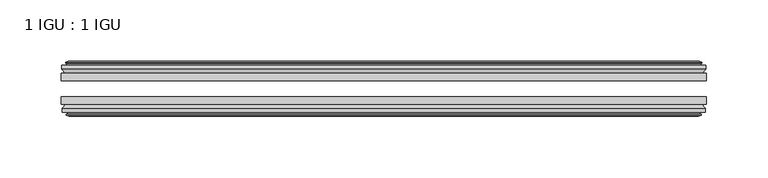
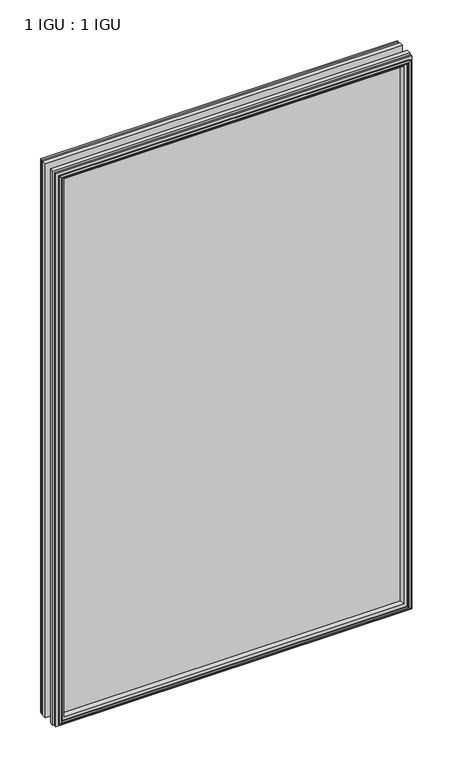
"""IFC4 building model written with IfcOpenShell, lengths in millimetres: plate geometry, 1 IGU : 1 IGU."""

from ifc_helpers import new_model, si_unit, frame, origin, place, context, project, spatial, polyline, outline, extrude, faceted_brep, source, transform, mapped, element, save


def plate_1_igu_1_igu_b5e0db50(model_context):
    return source(origin(), model_context, "Body", "SolidModel", [
        extrude(outline(polyline([(263.525, -25.8960937), (263.525, -32.2460938), (-263.525, -32.2460938), (-263.525, -25.8960937), (263.525, -25.8960937)])), frame((0.0, 0.0, -12.7), z_axis=(0.0, 0.0, 1.0), x_axis=(1.0, 0.0, 0.0)), (0.0, 0.0, 1.0), 863.6),
        extrude(outline(polyline([(-263.525, -51.2960938), (-263.525, -45.2686737), (263.525, -45.2686737), (263.525, -51.2960938), (-263.525, -51.2960938)])), frame((0.0, 0.0, -12.7), z_axis=(0.0, 0.0, 1.0), x_axis=(1.0, 0.0, 0.0)), (0.0, 0.0, 1.0), 863.6),
        faceted_brep([(-257.937, -60.0262907, 845.312), (-258.318, -57.6460937, 845.693), (-258.318, -57.6460937, -7.493), (-257.937, -60.0262907, -7.112), (-259.352529, -59.5663575, 846.727529), (-259.352529, -59.5663575, -8.5275291), (-259.352529, -60.3675717, 846.727529), (-259.352529, -60.3675717, -8.5275291), (-257.175, -61.0750937, 844.55), (-257.175, -61.0750937, -6.35), (-254.9974709, -60.3675717, 842.3724709), (-254.9974709, -60.3675717, -4.1724709), (-254.9974709, -59.5663575, 842.3724709), (-254.9974709, -59.5663575, -4.1724709), (-256.413, -60.0262907, 843.788), (-256.413, -60.0262907, -5.588), (-256.032, -57.6460937, 843.407), (-256.032, -57.6460937, -5.207), (-249.1072819, -51.2960937, 836.4822819), (-250.825, -57.6460937, 838.2), (-250.825, -57.6460937, 0.0), (-249.1072819, -51.2960937, 1.7177181), (-262.763, -54.6996937, 850.138), (-259.9286578, -51.2960937, 847.3036578), (-259.9286578, -51.2960937, -9.1036578), (-262.763, -54.6996937, -11.938), (-262.763, -57.6460937, 850.138), (-262.763, -57.6460937, -11.938), (258.318, -57.6460938, -7.493), (257.937, -60.0262907, -7.112), (259.352529, -59.5663575, -8.5275291), (259.352529, -60.3675717, -8.5275291), (257.175, -61.0750937, -6.35), (254.9974709, -60.3675717, -4.1724709), (254.9974709, -59.5663575, -4.1724709), (256.413, -60.0262907, -5.588), (256.032, -57.6460937, -5.207), (250.825, -57.6460937, 0.0), (249.1072819, -51.2960937, 1.7177181), (259.9286578, -51.2960937, -9.1036578), (262.763, -54.6996937, -11.938), (262.763, -57.6460938, -11.938), (258.318, -57.6460938, 845.693), (257.937, -60.0262907, 845.312), (259.352529, -59.5663575, 846.727529), (259.352529, -60.3675717, 846.727529), (257.175, -61.0750937, 844.55), (254.9974709, -60.3675717, 842.3724709), (254.9974709, -59.5663575, 842.3724709), (256.413, -60.0262907, 843.788), (256.032, -57.6460937, 843.407), (250.825, -57.6460937, 838.2), (249.1072819, -51.2960937, 836.4822819), (259.9286578, -51.2960937, 847.3036578), (262.763, -54.6996937, 850.138), (262.763, -57.6460938, 850.138)], [[[0, 1, 2, 3]], [[4, 0, 3, 5]], [[6, 4, 5, 7]], [[8, 6, 7, 9]], [[10, 8, 9, 11]], [[12, 10, 11, 13]], [[14, 12, 13, 15]], [[16, 14, 15, 17]], [[18, 19, 20, 21]], [[22, 23, 24, 25]], [[26, 22, 25, 27]], [[3, 2, 28, 29]], [[5, 3, 29, 30]], [[7, 5, 30, 31]], [[9, 7, 31, 32]], [[11, 9, 32, 33]], [[13, 11, 33, 34]], [[15, 13, 34, 35]], [[17, 15, 35, 36]], [[21, 20, 37, 38]], [[25, 24, 39, 40]], [[27, 25, 40, 41]], [[29, 28, 42, 43]], [[30, 29, 43, 44]], [[31, 30, 44, 45]], [[32, 31, 45, 46]], [[33, 32, 46, 47]], [[34, 33, 47, 48]], [[35, 34, 48, 49]], [[36, 35, 49, 50]], [[38, 37, 51, 52]], [[40, 39, 53, 54]], [[41, 40, 54, 55]], [[27, 41, 55, 26], [1, 42, 28, 2]], [[43, 42, 1, 0]], [[44, 43, 0, 4]], [[45, 44, 4, 6]], [[46, 45, 6, 8]], [[47, 46, 8, 10]], [[48, 47, 10, 12]], [[49, 48, 12, 14]], [[50, 49, 14, 16]], [[17, 36, 50, 16], [19, 51, 37, 20]], [[52, 51, 19, 18]], [[23, 53, 39, 24], [21, 38, 52, 18]], [[54, 53, 23, 22]], [[55, 54, 22, 26]]]),
        faceted_brep([(-260.4493578, -25.8960937, 847.8243578), (-263.2837, -22.4924937, 850.6587), (-263.2837, -22.4924937, -12.4587), (-260.4493578, -25.8960937, -9.6243578), (-251.3457, -19.5460937, 838.7207), (-249.6279819, -25.8960937, 837.0029819), (-249.6279819, -25.8960937, 1.1970181), (-251.3457, -19.5460937, -0.5207), (-256.9337, -17.1658968, 844.3087), (-256.5527, -19.5460937, 843.9277), (-256.5527, -19.5460937, -5.7277), (-256.9337, -17.1658968, -6.1087), (-255.5181709, -17.62583, 842.8931709), (-255.5181709, -17.62583, -4.6931709), (-255.5181709, -16.8246158, 842.8931709), (-255.5181709, -16.8246158, -4.6931709), (-257.6957, -16.1170937, 845.0707), (-257.6957, -16.1170937, -6.8707), (-259.873229, -16.8246158, 847.248229), (-259.873229, -16.8246158, -9.0482291), (-259.873229, -17.62583, 847.248229), (-259.873229, -17.62583, -9.0482291), (-258.4577, -17.1658968, 845.8327), (-258.4577, -17.1658968, -7.6327), (-258.8387, -19.5460937, 846.2137), (-258.8387, -19.5460937, -8.0137), (-263.2837, -19.5460937, 850.6587), (-263.2837, -19.5460937, -12.4587), (263.2837, -22.4924937, -12.4587), (260.4493578, -25.8960937, -9.6243578), (249.6279819, -25.8960937, 1.1970181), (251.3457, -19.5460937, -0.5207), (256.5527, -19.5460937, -5.7277), (256.9337, -17.1658968, -6.1087), (255.5181709, -17.62583, -4.6931709), (255.5181709, -16.8246158, -4.6931709), (257.6957, -16.1170937, -6.8707), (259.873229, -16.8246158, -9.0482291), (259.873229, -17.62583, -9.0482291), (258.4577, -17.1658968, -7.6327), (258.8387, -19.5460937, -8.0137), (263.2837, -19.5460937, -12.4587), (263.2837, -22.4924937, 850.6587), (260.4493578, -25.8960937, 847.8243578), (249.6279819, -25.8960937, 837.0029819), (251.3457, -19.5460937, 838.7207), (256.5527, -19.5460937, 843.9277), (256.9337, -17.1658968, 844.3087), (255.5181709, -17.62583, 842.8931709), (255.5181709, -16.8246158, 842.8931709), (257.6957, -16.1170937, 845.0707), (259.873229, -16.8246158, 847.248229), (259.873229, -17.62583, 847.248229), (258.4577, -17.1658968, 845.8327), (258.8387, -19.5460937, 846.2137), (263.2837, -19.5460937, 850.6587)], [[[0, 1, 2, 3]], [[4, 5, 6, 7]], [[8, 9, 10, 11]], [[12, 8, 11, 13]], [[14, 12, 13, 15]], [[16, 14, 15, 17]], [[18, 16, 17, 19]], [[20, 18, 19, 21]], [[22, 20, 21, 23]], [[24, 22, 23, 25]], [[1, 26, 27, 2]], [[3, 2, 28, 29]], [[7, 6, 30, 31]], [[11, 10, 32, 33]], [[13, 11, 33, 34]], [[15, 13, 34, 35]], [[17, 15, 35, 36]], [[19, 17, 36, 37]], [[21, 19, 37, 38]], [[23, 21, 38, 39]], [[25, 23, 39, 40]], [[2, 27, 41, 28]], [[29, 28, 42, 43]], [[31, 30, 44, 45]], [[33, 32, 46, 47]], [[34, 33, 47, 48]], [[35, 34, 48, 49]], [[36, 35, 49, 50]], [[37, 36, 50, 51]], [[38, 37, 51, 52]], [[39, 38, 52, 53]], [[40, 39, 53, 54]], [[28, 41, 55, 42]], [[43, 42, 1, 0]], [[3, 29, 43, 0], [5, 44, 30, 6]], [[45, 44, 5, 4]], [[9, 46, 32, 10], [7, 31, 45, 4]], [[47, 46, 9, 8]], [[48, 47, 8, 12]], [[49, 48, 12, 14]], [[50, 49, 14, 16]], [[51, 50, 16, 18]], [[52, 51, 18, 20]], [[53, 52, 20, 22]], [[54, 53, 22, 24]], [[26, 55, 41, 27], [25, 40, 54, 24]], [[42, 55, 26, 1]]]),
    ])


if __name__ == "__main__":
    model = new_model("IFC4")
    model_context = context("Model", 3, world=origin())
    ifc_project = project(units=[si_unit("LENGTHUNIT", "METRE", prefix="MILLI")], contexts=[model_context])
    site = spatial("IfcSite", under=ifc_project)
    building = spatial("IfcBuilding", under=site)
    placement = place(None, origin())
    plate_1_igu_1_igu_shape = plate_1_igu_1_igu_b5e0db50(model_context)
    element("IfcPlate", 1, ObjectType="1 IGU : 1 IGU", at=placement, inside=building, context=model_context, shape_type="MappedRepresentation", body=[
        mapped(plate_1_igu_1_igu_shape, transform((0.0, 0.0, 0.0), x_axis=(1.0, 0.0, 0.0), y_axis=(0.0, 1.0, 0.0), z_axis=(0.0, 0.0, 1.0))),
    ])
    save(model, "model.ifc")
